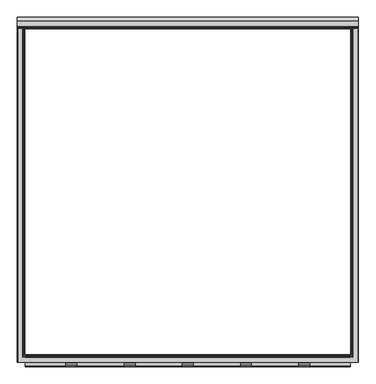
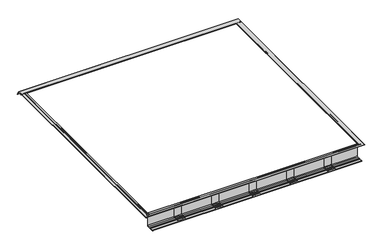
"""IFC4 building model written with IfcOpenShell, lengths in millimetres: fastener geometry."""

from ifc_helpers import new_model, si_unit, point, frame, frame_2d, origin, place, context, project, spatial, polyline, circle_curve, ellipse_curve, trimmed, segment, composite_curve, outline, extrude, source, transform, mapped, element, save
from ifc_brep_helpers import plane_surface, cylinder_surface, revolved_surface, advanced_brep


def fastener_ba630eba(model_context):
    return source(origin(), model_context, "Body", "SolidModel", [
        extrude(outline(composite_curve([segment(trimmed(circle_curve(frame_2d((-1145.5700599, -154.6836108)), 7.5509517), [point((-1138.0191082, -154.6836108))], [point((-1145.5700599, -162.2345625))], False, "CARTESIAN"), True, "CONTINUOUS"), segment(polyline([(-1145.5700599, -162.2345625), (-1177.5500422, -162.2345625)]), True, "CONTINUOUS"), segment(trimmed(circle_curve(frame_2d((-1177.2863618, -161.1784961)), 1.0884868), [point((-1177.5500422, -162.2345625))], [point((-1178.0560382, -160.4088197))], False, "CARTESIAN"), True, "CONTINUOUS"), segment(polyline([(-1178.0560382, -160.4088197), (-1176.7465916, -159.0993731)]), True, "CONTINUOUS"), segment(trimmed(circle_curve(frame_2d((-1177.516268, -158.3296966)), 1.0884868), [point((-1176.7465916, -159.0993731))], [point((-1176.911598, -157.4246122))], True, "CARTESIAN"), True, "CONTINUOUS"), segment(polyline([(-1176.911598, -157.4246122), (-1186.4250513, -157.4246122)]), True, "CONTINUOUS"), segment(trimmed(circle_curve(frame_2d((-1185.8203813, -158.3296966)), 1.0884868), [point((-1186.4250513, -157.4246122))], [point((-1186.5900578, -159.0993731))], True, "CARTESIAN"), True, "CONTINUOUS"), segment(polyline([(-1186.5900578, -159.0993731), (-1185.2806111, -160.4088197)]), True, "CONTINUOUS"), segment(trimmed(circle_curve(frame_2d((-1186.0502876, -161.1784961)), 1.0884868), [point((-1185.2806111, -160.4088197))], [point((-1185.7866071, -162.2345625))], False, "CARTESIAN"), True, "CONTINUOUS"), segment(polyline([(-1185.7866071, -162.2345625), (-1219.2, -162.2345625)]), True, "CONTINUOUS"), segment(trimmed(circle_curve(frame_2d((-1211.6858077, -161.5021667)), 7.5498006), [point((-1219.2, -162.2345625))], [point((-1211.6858077, -153.9523661))], False, "CARTESIAN"), True, "CONTINUOUS"), segment(polyline([(-1211.6858077, -153.9523661), (-1195.9627839, -153.9523661)]), True, "CONTINUOUS"), segment(trimmed(circle_curve(frame_2d((-1195.8562589, -149.9759938)), 3.977799), [point((-1195.9627839, -153.9523661))], [point((-1193.0435303, -152.7887224))], True, "CARTESIAN"), True, "CONTINUOUS"), segment(polyline([(-1193.0435303, -152.7887224), (-1190.9210407, -150.6662329)]), True, "CONTINUOUS"), segment(trimmed(circle_curve(frame_2d((-1188.1083121, -153.4789615)), 3.977799), [point((-1190.9210407, -150.6662329))], [point((-1188.0183247, -149.5021806))], False, "CARTESIAN"), True, "CONTINUOUS"), segment(polyline([(-1188.0183247, -149.5021806), (-1175.3183247, -149.5021806)]), True, "CONTINUOUS"), segment(trimmed(circle_curve(frame_2d((-1175.2283372, -153.4789615)), 3.977799), [point((-1175.3183247, -149.5021806))], [point((-1172.4156086, -150.6662329))], False, "CARTESIAN"), True, "CONTINUOUS"), segment(polyline([(-1172.4156086, -150.6662329), (-1170.2931191, -152.7887224)]), True, "CONTINUOUS"), segment(trimmed(circle_curve(frame_2d((-1167.4803904, -149.9759938)), 3.977799), [point((-1170.2931191, -152.7887224))], [point((-1167.3738655, -153.9523661))], True, "CARTESIAN"), True, "CONTINUOUS"), segment(polyline([(-1167.3738655, -153.9523661), (-1150.9842926, -153.9523661)]), True, "CONTINUOUS"), segment(trimmed(circle_curve(frame_2d((-1150.2040874, -148.1697836)), 5.8349791), [point((-1150.9842926, -153.9523661))], [point((-1144.3691082, -148.1697836))], True, "CARTESIAN"), True, "CONTINUOUS"), segment(polyline([(-1144.3691082, -148.1697836), (-1144.3691082, -38.7961108), (-1138.0191082, -38.7961108), (-1138.0191082, -154.6836108)]), True, "CONTINUOUS")], self_intersect=False)), frame((774.7, 0.0, 0.0), z_axis=(1.0, 0.0, 0.0), x_axis=(0.0, 1.0, 0.0)), (0.0, 0.0, 1.0), 76.2),
        extrude(outline(composite_curve([segment(trimmed(circle_curve(frame_2d((-1145.5700599, -154.6836108)), 7.5509517), [point((-1138.0191082, -154.6836108))], [point((-1145.5700599, -162.2345625))], False, "CARTESIAN"), True, "CONTINUOUS"), segment(polyline([(-1145.5700599, -162.2345625), (-1177.5500422, -162.2345625)]), True, "CONTINUOUS"), segment(trimmed(circle_curve(frame_2d((-1177.2863618, -161.1784961)), 1.0884868), [point((-1177.5500422, -162.2345625))], [point((-1178.0560382, -160.4088197))], False, "CARTESIAN"), True, "CONTINUOUS"), segment(polyline([(-1178.0560382, -160.4088197), (-1176.7465916, -159.0993731)]), True, "CONTINUOUS"), segment(trimmed(circle_curve(frame_2d((-1177.516268, -158.3296966)), 1.0884868), [point((-1176.7465916, -159.0993731))], [point((-1176.911598, -157.4246122))], True, "CARTESIAN"), True, "CONTINUOUS"), segment(polyline([(-1176.911598, -157.4246122), (-1186.4250513, -157.4246122)]), True, "CONTINUOUS"), segment(trimmed(circle_curve(frame_2d((-1185.8203813, -158.3296966)), 1.0884868), [point((-1186.4250513, -157.4246122))], [point((-1186.5900578, -159.0993731))], True, "CARTESIAN"), True, "CONTINUOUS"), segment(polyline([(-1186.5900578, -159.0993731), (-1185.2806111, -160.4088197)]), True, "CONTINUOUS"), segment(trimmed(circle_curve(frame_2d((-1186.0502876, -161.1784961)), 1.0884868), [point((-1185.2806111, -160.4088197))], [point((-1185.7866071, -162.2345625))], False, "CARTESIAN"), True, "CONTINUOUS"), segment(polyline([(-1185.7866071, -162.2345625), (-1219.2, -162.2345625)]), True, "CONTINUOUS"), segment(trimmed(circle_curve(frame_2d((-1211.6858077, -161.5021667)), 7.5498006), [point((-1219.2, -162.2345625))], [point((-1211.6858077, -153.9523661))], False, "CARTESIAN"), True, "CONTINUOUS"), segment(polyline([(-1211.6858077, -153.9523661), (-1195.9627839, -153.9523661)]), True, "CONTINUOUS"), segment(trimmed(circle_curve(frame_2d((-1195.8562589, -149.9759938)), 3.977799), [point((-1195.9627839, -153.9523661))], [point((-1193.0435303, -152.7887224))], True, "CARTESIAN"), True, "CONTINUOUS"), segment(polyline([(-1193.0435303, -152.7887224), (-1190.9210407, -150.6662329)]), True, "CONTINUOUS"), segment(trimmed(circle_curve(frame_2d((-1188.1083121, -153.4789615)), 3.977799), [point((-1190.9210407, -150.6662329))], [point((-1188.0183247, -149.5021806))], False, "CARTESIAN"), True, "CONTINUOUS"), segment(polyline([(-1188.0183247, -149.5021806), (-1175.3183247, -149.5021806)]), True, "CONTINUOUS"), segment(trimmed(circle_curve(frame_2d((-1175.2283372, -153.4789615)), 3.977799), [point((-1175.3183247, -149.5021806))], [point((-1172.4156086, -150.6662329))], False, "CARTESIAN"), True, "CONTINUOUS"), segment(polyline([(-1172.4156086, -150.6662329), (-1170.2931191, -152.7887224)]), True, "CONTINUOUS"), segment(trimmed(circle_curve(frame_2d((-1167.4803904, -149.9759938)), 3.977799), [point((-1170.2931191, -152.7887224))], [point((-1167.3738655, -153.9523661))], True, "CARTESIAN"), True, "CONTINUOUS"), segment(polyline([(-1167.3738655, -153.9523661), (-1150.9842926, -153.9523661)]), True, "CONTINUOUS"), segment(trimmed(circle_curve(frame_2d((-1150.2040874, -148.1697836)), 5.8349791), [point((-1150.9842926, -153.9523661))], [point((-1144.3691082, -148.1697836))], True, "CARTESIAN"), True, "CONTINUOUS"), segment(polyline([(-1144.3691082, -148.1697836), (-1144.3691082, -38.7961108), (-1138.0191082, -38.7961108), (-1138.0191082, -154.6836108)]), True, "CONTINUOUS")], self_intersect=False)), frame((-850.9, 0.0, 0.0), z_axis=(1.0, 0.0, 0.0), x_axis=(0.0, 1.0, 0.0)), (0.0, 0.0, 1.0), 76.2),
        extrude(outline(composite_curve([segment(trimmed(circle_curve(frame_2d((-1145.5700599, -154.6836108)), 7.5509517), [point((-1138.0191082, -154.6836108))], [point((-1145.5700599, -162.2345625))], False, "CARTESIAN"), True, "CONTINUOUS"), segment(polyline([(-1145.5700599, -162.2345625), (-1177.5500422, -162.2345625)]), True, "CONTINUOUS"), segment(trimmed(circle_curve(frame_2d((-1177.2863618, -161.1784961)), 1.0884868), [point((-1177.5500422, -162.2345625))], [point((-1178.0560382, -160.4088197))], False, "CARTESIAN"), True, "CONTINUOUS"), segment(polyline([(-1178.0560382, -160.4088197), (-1176.7465916, -159.0993731)]), True, "CONTINUOUS"), segment(trimmed(circle_curve(frame_2d((-1177.516268, -158.3296966)), 1.0884868), [point((-1176.7465916, -159.0993731))], [point((-1176.911598, -157.4246122))], True, "CARTESIAN"), True, "CONTINUOUS"), segment(polyline([(-1176.911598, -157.4246122), (-1186.4250513, -157.4246122)]), True, "CONTINUOUS"), segment(trimmed(circle_curve(frame_2d((-1185.8203813, -158.3296966)), 1.0884868), [point((-1186.4250513, -157.4246122))], [point((-1186.5900578, -159.0993731))], True, "CARTESIAN"), True, "CONTINUOUS"), segment(polyline([(-1186.5900578, -159.0993731), (-1185.2806111, -160.4088197)]), True, "CONTINUOUS"), segment(trimmed(circle_curve(frame_2d((-1186.0502876, -161.1784961)), 1.0884868), [point((-1185.2806111, -160.4088197))], [point((-1185.7866071, -162.2345625))], False, "CARTESIAN"), True, "CONTINUOUS"), segment(polyline([(-1185.7866071, -162.2345625), (-1219.2, -162.2345625)]), True, "CONTINUOUS"), segment(trimmed(circle_curve(frame_2d((-1211.6858077, -161.5021667)), 7.5498006), [point((-1219.2, -162.2345625))], [point((-1211.6858077, -153.9523661))], False, "CARTESIAN"), True, "CONTINUOUS"), segment(polyline([(-1211.6858077, -153.9523661), (-1195.9627839, -153.9523661)]), True, "CONTINUOUS"), segment(trimmed(circle_curve(frame_2d((-1195.8562589, -149.9759938)), 3.977799), [point((-1195.9627839, -153.9523661))], [point((-1193.0435303, -152.7887224))], True, "CARTESIAN"), True, "CONTINUOUS"), segment(polyline([(-1193.0435303, -152.7887224), (-1190.9210407, -150.6662329)]), True, "CONTINUOUS"), segment(trimmed(circle_curve(frame_2d((-1188.1083121, -153.4789615)), 3.977799), [point((-1190.9210407, -150.6662329))], [point((-1188.0183247, -149.5021806))], False, "CARTESIAN"), True, "CONTINUOUS"), segment(polyline([(-1188.0183247, -149.5021806), (-1175.3183247, -149.5021806)]), True, "CONTINUOUS"), segment(trimmed(circle_curve(frame_2d((-1175.2283372, -153.4789615)), 3.977799), [point((-1175.3183247, -149.5021806))], [point((-1172.4156086, -150.6662329))], False, "CARTESIAN"), True, "CONTINUOUS"), segment(polyline([(-1172.4156086, -150.6662329), (-1170.2931191, -152.7887224)]), True, "CONTINUOUS"), segment(trimmed(circle_curve(frame_2d((-1167.4803904, -149.9759938)), 3.977799), [point((-1170.2931191, -152.7887224))], [point((-1167.3738655, -153.9523661))], True, "CARTESIAN"), True, "CONTINUOUS"), segment(polyline([(-1167.3738655, -153.9523661), (-1150.9842926, -153.9523661)]), True, "CONTINUOUS"), segment(trimmed(circle_curve(frame_2d((-1150.2040874, -148.1697836)), 5.8349791), [point((-1150.9842926, -153.9523661))], [point((-1144.3691082, -148.1697836))], True, "CARTESIAN"), True, "CONTINUOUS"), segment(polyline([(-1144.3691082, -148.1697836), (-1144.3691082, -38.7961108), (-1138.0191082, -38.7961108), (-1138.0191082, -154.6836108)]), True, "CONTINUOUS")], self_intersect=False)), frame((-444.5, 0.0, 0.0), z_axis=(1.0, 0.0, 0.0), x_axis=(0.0, 1.0, 0.0)), (0.0, 0.0, 1.0), 76.2),
        extrude(outline(composite_curve([segment(trimmed(circle_curve(frame_2d((-1145.5700599, -154.6836108)), 7.5509517), [point((-1138.0191082, -154.6836108))], [point((-1145.5700599, -162.2345625))], False, "CARTESIAN"), True, "CONTINUOUS"), segment(polyline([(-1145.5700599, -162.2345625), (-1177.5500422, -162.2345625)]), True, "CONTINUOUS"), segment(trimmed(circle_curve(frame_2d((-1177.2863618, -161.1784961)), 1.0884868), [point((-1177.5500422, -162.2345625))], [point((-1178.0560382, -160.4088197))], False, "CARTESIAN"), True, "CONTINUOUS"), segment(polyline([(-1178.0560382, -160.4088197), (-1176.7465916, -159.0993731)]), True, "CONTINUOUS"), segment(trimmed(circle_curve(frame_2d((-1177.516268, -158.3296966)), 1.0884868), [point((-1176.7465916, -159.0993731))], [point((-1176.911598, -157.4246122))], True, "CARTESIAN"), True, "CONTINUOUS"), segment(polyline([(-1176.911598, -157.4246122), (-1186.4250513, -157.4246122)]), True, "CONTINUOUS"), segment(trimmed(circle_curve(frame_2d((-1185.8203813, -158.3296966)), 1.0884868), [point((-1186.4250513, -157.4246122))], [point((-1186.5900578, -159.0993731))], True, "CARTESIAN"), True, "CONTINUOUS"), segment(polyline([(-1186.5900578, -159.0993731), (-1185.2806111, -160.4088197)]), True, "CONTINUOUS"), segment(trimmed(circle_curve(frame_2d((-1186.0502876, -161.1784961)), 1.0884868), [point((-1185.2806111, -160.4088197))], [point((-1185.7866071, -162.2345625))], False, "CARTESIAN"), True, "CONTINUOUS"), segment(polyline([(-1185.7866071, -162.2345625), (-1219.2, -162.2345625)]), True, "CONTINUOUS"), segment(trimmed(circle_curve(frame_2d((-1211.6858077, -161.5021667)), 7.5498006), [point((-1219.2, -162.2345625))], [point((-1211.6858077, -153.9523661))], False, "CARTESIAN"), True, "CONTINUOUS"), segment(polyline([(-1211.6858077, -153.9523661), (-1195.9627839, -153.9523661)]), True, "CONTINUOUS"), segment(trimmed(circle_curve(frame_2d((-1195.8562589, -149.9759938)), 3.977799), [point((-1195.9627839, -153.9523661))], [point((-1193.0435303, -152.7887224))], True, "CARTESIAN"), True, "CONTINUOUS"), segment(polyline([(-1193.0435303, -152.7887224), (-1190.9210407, -150.6662329)]), True, "CONTINUOUS"), segment(trimmed(circle_curve(frame_2d((-1188.1083121, -153.4789615)), 3.977799), [point((-1190.9210407, -150.6662329))], [point((-1188.0183247, -149.5021806))], False, "CARTESIAN"), True, "CONTINUOUS"), segment(polyline([(-1188.0183247, -149.5021806), (-1175.3183247, -149.5021806)]), True, "CONTINUOUS"), segment(trimmed(circle_curve(frame_2d((-1175.2283372, -153.4789615)), 3.977799), [point((-1175.3183247, -149.5021806))], [point((-1172.4156086, -150.6662329))], False, "CARTESIAN"), True, "CONTINUOUS"), segment(polyline([(-1172.4156086, -150.6662329), (-1170.2931191, -152.7887224)]), True, "CONTINUOUS"), segment(trimmed(circle_curve(frame_2d((-1167.4803904, -149.9759938)), 3.977799), [point((-1170.2931191, -152.7887224))], [point((-1167.3738655, -153.9523661))], True, "CARTESIAN"), True, "CONTINUOUS"), segment(polyline([(-1167.3738655, -153.9523661), (-1150.9842926, -153.9523661)]), True, "CONTINUOUS"), segment(trimmed(circle_curve(frame_2d((-1150.2040874, -148.1697836)), 5.8349791), [point((-1150.9842926, -153.9523661))], [point((-1144.3691082, -148.1697836))], True, "CARTESIAN"), True, "CONTINUOUS"), segment(polyline([(-1144.3691082, -148.1697836), (-1144.3691082, -38.7961108), (-1138.0191082, -38.7961108), (-1138.0191082, -154.6836108)]), True, "CONTINUOUS")], self_intersect=False)), frame((368.3, 0.0, 0.0), z_axis=(1.0, 0.0, 0.0), x_axis=(0.0, 1.0, 0.0)), (0.0, 0.0, 1.0), 76.2),
        extrude(outline(composite_curve([segment(trimmed(circle_curve(frame_2d((-1145.5700599, -154.6836108)), 7.5509517), [point((-1138.0191082, -154.6836108))], [point((-1145.5700599, -162.2345625))], False, "CARTESIAN"), True, "CONTINUOUS"), segment(polyline([(-1145.5700599, -162.2345625), (-1177.5500422, -162.2345625)]), True, "CONTINUOUS"), segment(trimmed(circle_curve(frame_2d((-1177.2863618, -161.1784961)), 1.0884868), [point((-1177.5500422, -162.2345625))], [point((-1178.0560382, -160.4088197))], False, "CARTESIAN"), True, "CONTINUOUS"), segment(polyline([(-1178.0560382, -160.4088197), (-1176.7465916, -159.0993731)]), True, "CONTINUOUS"), segment(trimmed(circle_curve(frame_2d((-1177.516268, -158.3296966)), 1.0884868), [point((-1176.7465916, -159.0993731))], [point((-1176.911598, -157.4246122))], True, "CARTESIAN"), True, "CONTINUOUS"), segment(polyline([(-1176.911598, -157.4246122), (-1186.4250513, -157.4246122)]), True, "CONTINUOUS"), segment(trimmed(circle_curve(frame_2d((-1185.8203813, -158.3296966)), 1.0884868), [point((-1186.4250513, -157.4246122))], [point((-1186.5900578, -159.0993731))], True, "CARTESIAN"), True, "CONTINUOUS"), segment(polyline([(-1186.5900578, -159.0993731), (-1185.2806111, -160.4088197)]), True, "CONTINUOUS"), segment(trimmed(circle_curve(frame_2d((-1186.0502876, -161.1784961)), 1.0884868), [point((-1185.2806111, -160.4088197))], [point((-1185.7866071, -162.2345625))], False, "CARTESIAN"), True, "CONTINUOUS"), segment(polyline([(-1185.7866071, -162.2345625), (-1219.2, -162.2345625)]), True, "CONTINUOUS"), segment(trimmed(circle_curve(frame_2d((-1211.6858077, -161.5021667)), 7.5498006), [point((-1219.2, -162.2345625))], [point((-1211.6858077, -153.9523661))], False, "CARTESIAN"), True, "CONTINUOUS"), segment(polyline([(-1211.6858077, -153.9523661), (-1195.9627839, -153.9523661)]), True, "CONTINUOUS"), segment(trimmed(circle_curve(frame_2d((-1195.8562589, -149.9759938)), 3.977799), [point((-1195.9627839, -153.9523661))], [point((-1193.0435303, -152.7887224))], True, "CARTESIAN"), True, "CONTINUOUS"), segment(polyline([(-1193.0435303, -152.7887224), (-1190.9210407, -150.6662329)]), True, "CONTINUOUS"), segment(trimmed(circle_curve(frame_2d((-1188.1083121, -153.4789615)), 3.977799), [point((-1190.9210407, -150.6662329))], [point((-1188.0183247, -149.5021806))], False, "CARTESIAN"), True, "CONTINUOUS"), segment(polyline([(-1188.0183247, -149.5021806), (-1175.3183247, -149.5021806)]), True, "CONTINUOUS"), segment(trimmed(circle_curve(frame_2d((-1175.2283372, -153.4789615)), 3.977799), [point((-1175.3183247, -149.5021806))], [point((-1172.4156086, -150.6662329))], False, "CARTESIAN"), True, "CONTINUOUS"), segment(polyline([(-1172.4156086, -150.6662329), (-1170.2931191, -152.7887224)]), True, "CONTINUOUS"), segment(trimmed(circle_curve(frame_2d((-1167.4803904, -149.9759938)), 3.977799), [point((-1170.2931191, -152.7887224))], [point((-1167.3738655, -153.9523661))], True, "CARTESIAN"), True, "CONTINUOUS"), segment(polyline([(-1167.3738655, -153.9523661), (-1150.9842926, -153.9523661)]), True, "CONTINUOUS"), segment(trimmed(circle_curve(frame_2d((-1150.2040874, -148.1697836)), 5.8349791), [point((-1150.9842926, -153.9523661))], [point((-1144.3691082, -148.1697836))], True, "CARTESIAN"), True, "CONTINUOUS"), segment(polyline([(-1144.3691082, -148.1697836), (-1144.3691082, -38.7961108), (-1138.0191082, -38.7961108), (-1138.0191082, -154.6836108)]), True, "CONTINUOUS")], self_intersect=False)), frame((-38.1, 0.0, 0.0), z_axis=(1.0, 0.0, 0.0), x_axis=(0.0, 1.0, 0.0)), (0.0, 0.0, 1.0), 76.2),
        extrude(outline(composite_curve([segment(polyline([(-1135.3165, -15.1804688), (-1135.3165, -164.9015625), (-1217.8665, -164.9015625)]), True, "CONTINUOUS"), segment(trimmed(circle_curve(frame_2d((-1217.8665, -163.5680625)), 1.3335), [point((-1217.8665, -164.9015625))], [point((-1217.8665, -162.2345625))], False, "CARTESIAN"), True, "CONTINUOUS"), segment(polyline([(-1217.8665, -162.2345625), (-1185.7509989, -162.2345625)]), True, "CONTINUOUS"), segment(trimmed(circle_curve(frame_2d((-1186.0146793, -161.1784961)), 1.0884868), [point((-1185.7509989, -162.2345625))], [point((-1185.2450029, -160.4088197))], True, "CARTESIAN"), True, "CONTINUOUS"), segment(polyline([(-1185.2450029, -160.4088197), (-1186.5544495, -159.0993731)]), True, "CONTINUOUS"), segment(trimmed(circle_curve(frame_2d((-1185.7847731, -158.3296966)), 1.0884868), [point((-1186.5544495, -159.0993731))], [point((-1186.389443, -157.4246122))], False, "CARTESIAN"), True, "CONTINUOUS"), segment(polyline([(-1186.389443, -157.4246122), (-1176.8759898, -157.4246122)]), True, "CONTINUOUS"), segment(trimmed(circle_curve(frame_2d((-1177.4806597, -158.3296966)), 1.0884868), [point((-1176.8759898, -157.4246122))], [point((-1176.7109833, -159.0993731))], False, "CARTESIAN"), True, "CONTINUOUS"), segment(polyline([(-1176.7109833, -159.0993731), (-1178.0204299, -160.4088197)]), True, "CONTINUOUS"), segment(trimmed(circle_curve(frame_2d((-1177.2507535, -161.1784961)), 1.0884868), [point((-1178.0204299, -160.4088197))], [point((-1177.5144339, -162.2345625))], True, "CARTESIAN"), True, "CONTINUOUS"), segment(polyline([(-1177.5144339, -162.2345625), (-1145.5344517, -162.2345625)]), True, "CONTINUOUS"), segment(trimmed(circle_curve(frame_2d((-1145.5344517, -154.6836108)), 7.5509517), [point((-1145.5344517, -162.2345625))], [point((-1137.9835, -154.6836108))], True, "CARTESIAN"), True, "CONTINUOUS"), segment(polyline([(-1137.9835, -154.6836108), (-1137.9835, -21.87801), (-1156.2117258, -21.87801), (-1156.2117258, -15.1804688), (-1152.1178999, -15.1804688)]), True, "CONTINUOUS"), segment(trimmed(circle_curve(frame_2d((-1152.8274757, -16.2725079)), 1.3023238), [point((-1152.1178999, -15.1804688))], [point((-1151.9131963, -17.1999455))], False, "CARTESIAN"), True, "CONTINUOUS"), segment(polyline([(-1151.9131963, -17.1999455), (-1152.9649499, -18.2679836)]), True, "CONTINUOUS"), segment(trimmed(circle_curve(frame_2d((-1152.5091166, -18.6293281)), 0.5816819), [point((-1152.9649499, -18.2679836))], [point((-1152.5091166, -19.21101))], True, "CARTESIAN"), True, "CONTINUOUS"), segment(polyline([(-1152.5091166, -19.21101), (-1140.8594568, -19.21101)]), True, "CONTINUOUS"), segment(trimmed(circle_curve(frame_2d((-1140.8594568, -18.6130003)), 0.5980097), [point((-1140.8594568, -19.21101))], [point((-1140.3710112, -18.2679836))], True, "CARTESIAN"), True, "CONTINUOUS"), segment(polyline([(-1140.3710112, -18.2679836), (-1141.460117, -17.1999455)]), True, "CONTINUOUS"), segment(trimmed(circle_curve(frame_2d((-1140.5022273, -16.284676)), 1.3248664), [point((-1141.460117, -17.1999455))], [point((-1141.2343456, -15.1804688))], False, "CARTESIAN"), True, "CONTINUOUS"), segment(polyline([(-1141.2343456, -15.1804688), (-1135.3165, -15.1804688)]), True, "CONTINUOUS")], self_intersect=False)), frame((-1135.3165, 0.0, 0.0), z_axis=(1.0, 0.0, 0.0), x_axis=(0.0, 1.0, 0.0)), (0.0, 0.0, 1.0), 2270.633),
        advanced_brep(
        [(-1189.1053092, 1141.2343456, -15.1685625), (-1189.1053092, 1135.3165, -15.1685625), (-1189.1053092, 1135.3165, -13.8350625), (-1189.1053092, 1135.3165, -12.5015625), (-1189.1053092, 1190.6451024, -12.5015625), (-1189.1053092, 1217.7515464, -59.4513008), (-1189.1053092, 1215.4418567, -60.7848008), (-1189.1053092, 1189.1053092, -15.1685625), (-1189.1053092, 1161.8308783, -15.1685625), (-1189.1053092, 1159.573508, -17.4259327), (-1189.1053092, 1159.573508, -26.7633474), (-1189.1053092, 1149.6719492, -26.7633474), (-1189.1053092, 1149.6719492, -24.7662067), (-1189.1053092, 1150.5032605, -24.7662067), (-1189.1053092, 1151.5117177, -23.7577495), (-1189.1053092, 1151.5117177, -21.8661038), (-1189.1053092, 1156.2117258, -21.8661038), (-1189.1053092, 1156.2117258, -15.1685625), (-1189.1053092, 1152.1178999, -15.1685625), (-1189.1053092, 1151.9131963, -17.2095918), (-1189.1053092, 1152.9812344, -18.2776299), (-1189.1053092, 1152.5091166, -19.1991038), (-1189.1053092, 1140.8431289, -19.1991038), (-1189.1053092, 1140.3710112, -18.2776299), (-1189.1053092, 1141.4390493, -17.2095918), (1189.1053092, 1141.2343456, -15.1685625), (1189.1053092, 1141.4390493, -17.2095918), (1189.1053092, 1140.3710112, -18.2776299), (1189.1053092, 1140.8431289, -19.1991038), (1189.1053092, 1152.5091166, -19.1991038), (1189.1053092, 1152.9812344, -18.2776299), (1189.1053092, 1151.9131963, -17.2095918), (1189.1053092, 1152.1178999, -15.1685625), (1189.1053092, 1156.2117258, -15.1685625), (1189.1053092, 1156.2117258, -21.8661038), (1189.1053092, 1151.5117177, -21.8661038), (1189.1053092, 1151.5117177, -23.7577495), (1189.1053092, 1150.5032605, -24.7662067), (1189.1053092, 1149.6719492, -24.7662067), (1189.1053092, 1149.6719492, -26.7633474), (1189.1053092, 1159.573508, -26.7633474), (1189.1053092, 1159.573508, -17.4259327), (1189.1053092, 1161.8308783, -15.1685625), (1189.1053092, 1189.1053092, -15.1685625), (1189.1053092, 1215.4418567, -60.7848008), (1189.1053092, 1217.7515464, -59.4513008), (1189.1053092, 1190.6451024, -12.5015625), (1189.1053092, 1135.3165, -12.5015625), (1189.1053092, 1135.3165, -13.8350625), (1189.1053092, 1135.3165, -15.1685625), (1187.7718092, 1135.3165, -15.1685625), (1187.7718092, -1187.7718092, -15.1685625), (-1187.7718092, -1187.7718092, -15.1685625), (-1187.7718092, 1135.3165, -15.1685625), (1135.3165, 1135.3165, -15.1685625), (-1135.3165, 1135.3165, -15.1685625), (-1135.3165, -1135.3165, -15.1685625), (1135.3165, -1135.3165, -15.1685625), (-1141.2160631, 1135.3165, -15.1685625), (-1152.1361825, 1135.3165, -15.1685625), (-1152.1361825, -1152.1361825, -15.1685625), (1152.1361825, -1152.1361825, -15.1685625), (1152.1361825, 1135.3165, -15.1685625), (1141.2160631, 1135.3165, -15.1685625), (1141.2160631, -1141.2160631, -15.1685625), (-1141.2160631, -1141.2160631, -15.1685625), (-1156.2117258, 1135.3165, -15.1685625), (-1161.8308783, 1135.3165, -15.1685625), (-1161.8308783, -1161.8308783, -15.1685625), (1161.8308783, -1161.8308783, -15.1685625), (1161.8308783, 1135.3165, -15.1685625), (1156.2117258, 1135.3165, -15.1685625), (1156.2117258, -1156.2117258, -15.1685625), (-1156.2117258, -1156.2117258, -15.1685625), (-1187.7718092, 1135.3165, -12.5015625), (1187.7718092, 1135.3165, -12.5015625), (1135.3165, 1135.3165, -12.5015625), (-1135.3165, 1135.3165, -12.5015625), (-1187.7718092, -1187.7718092, -12.5015625), (1187.7718092, -1187.7718092, -12.5015625), (1135.3165, -1135.3165, -12.5015625), (-1135.3165, -1135.3165, -12.5015625), (-1141.4390493, 1135.3165, -17.221498), (-1140.3710112, 1135.3165, -18.2895361), (-1140.8431289, 1135.3165, -19.21101), (-1152.5091166, 1135.3165, -19.21101), (-1152.9812344, 1135.3165, -18.2895361), (-1151.9131963, 1135.3165, -17.221498), (-1156.2117258, 1135.3165, -21.87801), (-1151.5117177, 1135.3165, -21.87801), (-1151.5117177, 1135.3165, -23.7696558), (-1150.5032605, 1135.3165, -24.7781129), (-1149.6719492, 1135.3165, -24.7781129), (-1149.6719492, 1135.3165, -26.7633474), (-1159.573508, 1135.3165, -26.7633474), (-1159.573508, 1135.3165, -17.4259327), (-1141.4390493, -1141.4390493, -17.221498), (-1140.3710112, -1140.3710112, -18.2895361), (-1140.8431289, -1140.8431289, -19.21101), (1140.8431289, -1140.8431289, -19.21101), (1140.8431289, 1135.3165, -19.21101), (1152.5091166, 1135.3165, -19.21101), (1152.5091166, -1152.5091166, -19.21101), (-1152.5091166, -1152.5091166, -19.21101), (-1152.9812344, -1152.9812344, -18.2895361), (-1151.9131963, -1151.9131963, -17.221498), (-1156.2117258, -1156.2117258, -21.87801), (1156.2117258, -1156.2117258, -21.87801), (1156.2117258, 1135.3165, -21.87801), (1151.5117177, 1135.3165, -21.87801), (1151.5117177, -1151.5117177, -21.87801), (-1151.5117177, -1151.5117177, -21.87801), (-1151.5117177, -1151.5117177, -23.7696558), (-1150.5032605, -1150.5032605, -24.7781129), (1150.5032605, -1150.5032605, -24.7781129), (1150.5032605, 1135.3165, -24.7781129), (1149.6719492, 1135.3165, -24.7781129), (1149.6719492, -1149.6719492, -24.7781129), (-1149.6719492, -1149.6719492, -24.7781129), (-1149.6719492, -1149.6719492, -26.7633474), (1149.6719492, -1149.6719492, -26.7633474), (1149.6719492, 1135.3165, -26.7633474), (1159.573508, 1135.3165, -26.7633474), (1159.573508, -1159.573508, -26.7633474), (-1159.573508, -1159.573508, -26.7633474), (-1159.573508, -1159.573508, -17.4259327), (1141.4390493, -1141.4390493, -17.221498), (1140.3710112, -1140.3710112, -18.2895361), (1152.9812344, -1152.9812344, -18.2895361), (1151.9131963, -1151.9131963, -17.221498), (1151.5117177, -1151.5117177, -23.7696558), (1159.573508, -1159.573508, -17.4259327), (1140.3710112, 1135.3165, -18.2895361), (1141.4390493, 1135.3165, -17.221498), (1151.9131963, 1135.3165, -17.221498), (1152.9812344, 1135.3165, -18.2895361), (1159.573508, 1135.3165, -17.4259327), (1151.5117177, 1135.3165, -23.7696558)],
        [
            (0, 1),
            (1, 2),
            (2, 3),
            (3, 4),
            (4, 5),
            (5, 6),
            (6, 7),
            (7, 8),
            (8, 9, circle_curve(frame((-1189.1053092, 1161.8308783, -17.4259327), z_axis=(1.0, 0.0, 0.0), x_axis=(0.0, 1.0, 0.0)), 2.2573702)),
            (9, 10),
            (10, 11),
            (11, 12, circle_curve(frame((-1189.1053092, 1149.6719492, -25.764777), z_axis=(-1.0, 0.0, 0.0), x_axis=(0.0, 1.0, 0.0)), 0.9985703)),
            (12, 13),
            (13, 14, circle_curve(frame((-1189.1053092, 1150.5032605, -23.7577495), z_axis=(1.0, 0.0, 0.0), x_axis=(0.0, 1.0, 0.0)), 1.0084572)),
            (14, 15),
            (15, 16),
            (16, 17),
            (17, 18),
            (18, 19, circle_curve(frame((-1189.1053092, 1152.8500183, -16.2727698), z_axis=(1.0, 0.0, 0.0), x_axis=(0.0, 1.0, 0.0)), 1.3248664)),
            (19, 20),
            (20, 21, circle_curve(frame((-1189.1053092, 1152.5091166, -18.6174219), z_axis=(-1.0, 0.0, 0.0), x_axis=(0.0, 1.0, 0.0)), 0.5816819)),
            (21, 22),
            (22, 23, circle_curve(frame((-1189.1053092, 1140.8431289, -18.6174219), z_axis=(-1.0, 0.0, 0.0), x_axis=(0.0, 1.0, 0.0)), 0.5816819)),
            (23, 24),
            (24, 0, circle_curve(frame((-1189.1053092, 1140.5022273, -16.2727698), z_axis=(1.0, 0.0, 0.0), x_axis=(0.0, 1.0, 0.0)), 1.3248664)),
            (25, 26, circle_curve(frame((1189.1053092, 1140.5022273, -16.2727698), z_axis=(-1.0, 0.0, 0.0), x_axis=(0.0, 1.0, 0.0)), 1.3248664)),
            (26, 27),
            (27, 28, circle_curve(frame((1189.1053092, 1140.8431289, -18.6174219), z_axis=(1.0, 0.0, 0.0), x_axis=(0.0, 1.0, 0.0)), 0.5816819)),
            (28, 29),
            (29, 30, circle_curve(frame((1189.1053092, 1152.5091166, -18.6174219), z_axis=(1.0, 0.0, 0.0), x_axis=(0.0, 1.0, 0.0)), 0.5816819)),
            (30, 31),
            (31, 32, circle_curve(frame((1189.1053092, 1152.8500183, -16.2727698), z_axis=(-1.0, 0.0, 0.0), x_axis=(0.0, 1.0, 0.0)), 1.3248664)),
            (32, 33),
            (33, 34),
            (34, 35),
            (35, 36),
            (36, 37, circle_curve(frame((1189.1053092, 1150.5032605, -23.7577495), z_axis=(-1.0, 0.0, 0.0), x_axis=(0.0, 1.0, 0.0)), 1.0084572)),
            (37, 38),
            (38, 39, circle_curve(frame((1189.1053092, 1149.6719492, -25.764777), z_axis=(1.0, 0.0, 0.0), x_axis=(0.0, 1.0, 0.0)), 0.9985703)),
            (39, 40),
            (40, 41),
            (41, 42, circle_curve(frame((1189.1053092, 1161.8308783, -17.4259327), z_axis=(-1.0, 0.0, 0.0), x_axis=(0.0, 1.0, 0.0)), 2.2573702)),
            (42, 43),
            (43, 44),
            (44, 45),
            (45, 46),
            (46, 47),
            (47, 48),
            (48, 49),
            (49, 25),
            (0, 25),
            (49, 50),
            (50, 51),
            (51, 52),
            (52, 53),
            (53, 1),
            (54, 55),
            (55, 56),
            (56, 57),
            (57, 54),
            (58, 59),
            (59, 60),
            (60, 61),
            (61, 62),
            (62, 63),
            (63, 64),
            (64, 65),
            (65, 58),
            (66, 67),
            (67, 68),
            (68, 69),
            (69, 70),
            (70, 71),
            (71, 72),
            (72, 73),
            (73, 66),
            (53, 2, circle_curve(frame((-1187.7718092, 1135.3165, -13.8350625), z_axis=(0.0, 1.0, 0.0), x_axis=(1.0, 0.0, 0.0)), 1.3335)),
            (2, 74, circle_curve(frame((-1187.7718092, 1135.3165, -13.8350625), z_axis=(0.0, 1.0, 0.0), x_axis=(1.0, 0.0, 0.0)), 1.3335)),
            (74, 3),
            (47, 75),
            (75, 48, circle_curve(frame((1187.7718092, 1135.3165, -13.8350625), z_axis=(0.0, 1.0, 0.0), x_axis=(-1.0, 0.0, 0.0)), 1.3335)),
            (48, 50, circle_curve(frame((1187.7718092, 1135.3165, -13.8350625), z_axis=(0.0, 1.0, 0.0), x_axis=(-1.0, 0.0, 0.0)), 1.3335)),
            (54, 76),
            (76, 77),
            (77, 55),
            (74, 78),
            (78, 79),
            (79, 75),
            (46, 4),
            (76, 80),
            (80, 81),
            (81, 77),
            (45, 5),
            (44, 6),
            (43, 7),
            (42, 8),
            (41, 9),
            (40, 10),
            (39, 11),
            (38, 12),
            (37, 13),
            (36, 14),
            (35, 15),
            (34, 16),
            (33, 17),
            (32, 18),
            (19, 31),
            (30, 20),
            (29, 21),
            (28, 22),
            (27, 23),
            (26, 24),
            (58, 82, circle_curve(frame((-1140.5022273, 1135.3165, -16.284676), z_axis=(0.0, -1.0, 0.0), x_axis=(1.0, 0.0, 0.0)), 1.3248664)),
            (82, 83),
            (83, 84, circle_curve(frame((-1140.8431289, 1135.3165, -18.6293281), z_axis=(0.0, 1.0, 0.0), x_axis=(1.0, 0.0, 0.0)), 0.5816819)),
            (84, 85),
            (85, 86, circle_curve(frame((-1152.5091166, 1135.3165, -18.6293281), z_axis=(0.0, 1.0, 0.0), x_axis=(1.0, 0.0, 0.0)), 0.5816819)),
            (86, 87),
            (87, 59, circle_curve(frame((-1152.8500183, 1135.3165, -16.284676), z_axis=(0.0, -1.0, 0.0), x_axis=(1.0, 0.0, 0.0)), 1.3248664)),
            (66, 88),
            (88, 89),
            (89, 90),
            (90, 91, circle_curve(frame((-1150.5032605, 1135.3165, -23.7696558), z_axis=(0.0, -1.0, 0.0), x_axis=(1.0, 0.0, 0.0)), 1.0084572)),
            (91, 92),
            (92, 93, circle_curve(frame((-1149.6719492, 1135.3165, -25.7707301), z_axis=(0.0, 1.0, 0.0), x_axis=(1.0, 0.0, 0.0)), 0.9926172)),
            (93, 94),
            (94, 95),
            (95, 67, circle_curve(frame((-1161.8308783, 1135.3165, -17.4259327), z_axis=(0.0, -1.0, 0.0), x_axis=(1.0, 0.0, 0.0)), 2.2573702)),
            (65, 96, ellipse_curve(frame((-1140.5022273, -1140.5022273, -16.284676), z_axis=(0.7071067811865475, -0.7071067811865475, 0.0), x_axis=(-0.7071067811865474, -0.7071067811865476, 0.0)), 1.873644, 1.3248664)),
            (96, 82),
            (96, 97),
            (97, 83),
            (97, 98, ellipse_curve(frame((-1140.8431289, -1140.8431289, -18.6293281), z_axis=(-0.7071067811865475, 0.7071067811865475, 0.0), x_axis=(0.7071067811865474, 0.7071067811865476, 0.0)), 0.8226224, 0.5816819)),
            (98, 84),
            (98, 99),
            (99, 100),
            (100, 101),
            (101, 102),
            (102, 103),
            (103, 85),
            (103, 104, ellipse_curve(frame((-1152.5091166, -1152.5091166, -18.6293281), z_axis=(-0.7071067811865475, 0.7071067811865475, 0.0), x_axis=(0.7071067811865474, 0.7071067811865476, 0.0)), 0.8226224, 0.5816819)),
            (104, 86),
            (104, 105),
            (105, 87),
            (105, 60, ellipse_curve(frame((-1152.8500183, -1152.8500183, -16.284676), z_axis=(0.7071067811865475, -0.7071067811865475, 0.0), x_axis=(-0.7071067811865474, -0.7071067811865476, 0.0)), 1.873644, 1.3248664)),
            (73, 106),
            (106, 88),
            (106, 107),
            (107, 108),
            (108, 109),
            (109, 110),
            (110, 111),
            (111, 89),
            (111, 112),
            (112, 90),
            (112, 113, ellipse_curve(frame((-1150.5032605, -1150.5032605, -23.7696558), z_axis=(0.7071067811865475, -0.7071067811865475, 0.0), x_axis=(-0.7071067811865474, -0.7071067811865476, 0.0)), 1.4261738, 1.0084572)),
            (113, 91),
            (113, 114),
            (114, 115),
            (115, 116),
            (116, 117),
            (117, 118),
            (118, 92),
            (118, 119, ellipse_curve(frame((-1149.6719492, -1149.6719492, -25.7707301), z_axis=(-0.7071067811865475, 0.7071067811865475, 0.0), x_axis=(0.7071067811865474, 0.7071067811865476, 0.0)), 1.4037727, 0.9926172)),
            (119, 93),
            (119, 120),
            (120, 121),
            (121, 122),
            (122, 123),
            (123, 124),
            (124, 94),
            (124, 125),
            (125, 95),
            (125, 68, ellipse_curve(frame((-1161.8308783, -1161.8308783, -17.4259327), z_axis=(0.7071067811865475, -0.7071067811865475, 0.0), x_axis=(-0.7071067811865474, -0.7071067811865476, 0.0)), 3.1924036, 2.2573702)),
            (52, 78, ellipse_curve(frame((-1187.7718092, -1187.7718092, -13.8350625), z_axis=(-0.7071067811865475, 0.7071067811865475, 0.0), x_axis=(0.7071067811865474, 0.7071067811865476, 0.0)), 1.8858538, 1.3335)),
            (81, 56),
            (64, 126, ellipse_curve(frame((1140.5022273, -1140.5022273, -16.284676), z_axis=(0.7071067811865475, 0.7071067811865475, 0.0), x_axis=(0.7071067811865476, -0.7071067811865474, 0.0)), 1.873644, 1.3248664)),
            (126, 96),
            (126, 127),
            (127, 97),
            (127, 99, ellipse_curve(frame((1140.8431289, -1140.8431289, -18.6293281), z_axis=(-0.7071067811865475, -0.7071067811865475, 0.0), x_axis=(-0.7071067811865476, 0.7071067811865474, 0.0)), 0.8226224, 0.5816819)),
            (102, 128, ellipse_curve(frame((1152.5091166, -1152.5091166, -18.6293281), z_axis=(-0.7071067811865475, -0.7071067811865475, 0.0), x_axis=(-0.7071067811865476, 0.7071067811865474, 0.0)), 0.8226224, 0.5816819)),
            (128, 104),
            (128, 129),
            (129, 105),
            (129, 61, ellipse_curve(frame((1152.8500183, -1152.8500183, -16.284676), z_axis=(0.7071067811865475, 0.7071067811865475, 0.0), x_axis=(0.7071067811865476, -0.7071067811865474, 0.0)), 1.873644, 1.3248664)),
            (72, 107),
            (110, 130),
            (130, 112),
            (130, 114, ellipse_curve(frame((1150.5032605, -1150.5032605, -23.7696558), z_axis=(0.7071067811865475, 0.7071067811865475, 0.0), x_axis=(0.7071067811865476, -0.7071067811865474, 0.0)), 1.4261738, 1.0084572)),
            (117, 120, ellipse_curve(frame((1149.6719492, -1149.6719492, -25.7707301), z_axis=(-0.7071067811865475, -0.7071067811865475, 0.0), x_axis=(-0.7071067811865476, 0.7071067811865474, 0.0)), 1.4037727, 0.9926172)),
            (123, 131),
            (131, 125),
            (131, 69, ellipse_curve(frame((1161.8308783, -1161.8308783, -17.4259327), z_axis=(0.7071067811865475, 0.7071067811865475, 0.0), x_axis=(0.7071067811865476, -0.7071067811865474, 0.0)), 3.1924036, 2.2573702)),
            (51, 79, ellipse_curve(frame((1187.7718092, -1187.7718092, -13.8350625), z_axis=(-0.7071067811865475, -0.7071067811865475, 0.0), x_axis=(-0.7071067811865476, 0.7071067811865474, 0.0)), 1.8858538, 1.3335)),
            (80, 57),
            (100, 132, circle_curve(frame((1140.8431289, 1135.3165, -18.6293281), z_axis=(0.0, 1.0, 0.0), x_axis=(-1.0, 0.0, 0.0)), 0.5816819)),
            (132, 133),
            (133, 63, circle_curve(frame((1140.5022273, 1135.3165, -16.284676), z_axis=(0.0, -1.0, 0.0), x_axis=(-1.0, 0.0, 0.0)), 1.3248664)),
            (62, 134, circle_curve(frame((1152.8500183, 1135.3165, -16.284676), z_axis=(0.0, -1.0, 0.0), x_axis=(-1.0, 0.0, 0.0)), 1.3248664)),
            (134, 135),
            (135, 101, circle_curve(frame((1152.5091166, 1135.3165, -18.6293281), z_axis=(0.0, 1.0, 0.0), x_axis=(-1.0, 0.0, 0.0)), 0.5816819)),
            (108, 71),
            (70, 136, circle_curve(frame((1161.8308783, 1135.3165, -17.4259327), z_axis=(0.0, -1.0, 0.0), x_axis=(-1.0, 0.0, 0.0)), 2.2573702)),
            (136, 122),
            (121, 116, circle_curve(frame((1149.6719492, 1135.3165, -25.7707301), z_axis=(0.0, 1.0, 0.0), x_axis=(-1.0, 0.0, 0.0)), 0.9926172)),
            (115, 137, circle_curve(frame((1150.5032605, 1135.3165, -23.7696558), z_axis=(0.0, -1.0, 0.0), x_axis=(-1.0, 0.0, 0.0)), 1.0084572)),
            (137, 109),
            (133, 126),
            (132, 127),
            (135, 128),
            (134, 129),
            (137, 130),
            (136, 131),
        ],
        [
            plane_surface(frame((-1189.1053092, 1219.2, 0.0), z_axis=(-1.0, 0.0, 0.0), x_axis=(0.0, 0.0, 1.0))),
            plane_surface(frame((1189.1053092, 1219.2, 0.0), z_axis=(1.0, 0.0, 0.0), x_axis=(0.0, 0.0, 1.0))),
            plane_surface(frame((-1189.1053092, 1141.2343456, -15.1685625), z_axis=(0.0, 0.0, -1.0), x_axis=(1.0, 0.0, 0.0))),
            plane_surface(frame((-1189.1053092, 1135.3165, -15.1685625), z_axis=(0.0, -1.0, 0.0), x_axis=(1.0, 0.0, 0.0))),
            plane_surface(frame((-1189.1053092, 1135.3165, -12.5015625), z_axis=(0.0, 0.0, 1.0), x_axis=(1.0, 0.0, 0.0))),
            plane_surface(frame((-1189.1053092, 1190.6451024, -12.5015625), z_axis=(0.0, 0.8660254037844348, 0.5000000000000067), x_axis=(1.0, 0.0, 0.0))),
            plane_surface(frame((-1189.1053092, 1217.7515464, -59.4513008), z_axis=(0.0, 0.4999999999999756, -0.8660254037844528), x_axis=(1.0, 0.0, 0.0))),
            plane_surface(frame((-1189.1053092, 1215.4418567, -60.7848008), z_axis=(0.0, -0.8660254037844309, -0.5000000000000133), x_axis=(1.0, 0.0, 0.0))),
            plane_surface(frame((-1189.1053092, 1189.1053092, -15.1685625), z_axis=(0.0, 0.0, -1.0), x_axis=(1.0, 0.0, 0.0))),
            revolved_surface(polyline([(1189.1053092, 1164.0882485, -17.4259327), (-1189.1053092, 1164.0882485, -17.4259327)]), (-1189.1053092, 1161.8308783, -17.4259327), (1.0, 0.0, 0.0)),
            plane_surface(frame((-1189.1053092, 1159.573508, -17.4259327), z_axis=(0.0, 1.0, 0.0), x_axis=(1.0, 0.0, 0.0))),
            plane_surface(frame((-1189.1053092, 1159.573508, -26.7633474), z_axis=(0.0, 0.0, -1.0), x_axis=(1.0, 0.0, 0.0))),
            cylinder_surface(frame((-1189.1053092, 1149.6719492, -25.764777), z_axis=(-1.0, 0.0, 0.0), x_axis=(0.0, 1.0, 0.0)), 0.9985703),
            plane_surface(frame((-1189.1053092, 1149.6719492, -24.7662067), z_axis=(0.0, 0.0, 1.0), x_axis=(1.0, 0.0, 0.0))),
            revolved_surface(polyline([(1189.1053092, 1151.5117177, -23.7577495), (-1189.1053092, 1151.5117177, -23.7577495)]), (-1189.1053092, 1150.5032605, -23.7577495), (1.0, 0.0, 0.0)),
            plane_surface(frame((-1189.1053092, 1151.5117177, -23.7577495), z_axis=(0.0, -1.0, 0.0), x_axis=(1.0, 0.0, 0.0))),
            plane_surface(frame((-1189.1053092, 1151.5117177, -21.8661038), z_axis=(0.0, 0.0, 1.0), x_axis=(1.0, 0.0, 0.0))),
            plane_surface(frame((-1189.1053092, 1156.2117258, -21.8661038), z_axis=(0.0, -1.0, 0.0), x_axis=(1.0, 0.0, 0.0))),
            plane_surface(frame((-1189.1053092, 1156.2117258, -15.1685625), z_axis=(0.0, 0.0, -1.0), x_axis=(1.0, 0.0, 0.0))),
            plane_surface(frame((-1189.1053092, 1151.9131963, -17.2095918), z_axis=(0.0, 0.7071067811859371, 0.7071067811871581), x_axis=(1.0, 0.0, 0.0))),
            cylinder_surface(frame((-1189.1053092, 1152.5091166, -18.6174219), z_axis=(-1.0, 0.0, 0.0), x_axis=(0.0, 1.0, 0.0)), 0.5816819),
            plane_surface(frame((-1189.1053092, 1152.5091166, -19.1991038), z_axis=(0.0, 0.0, -1.0), x_axis=(1.0, 0.0, 0.0))),
            cylinder_surface(frame((-1189.1053092, 1140.8431289, -18.6174219), z_axis=(-1.0, 0.0, 0.0), x_axis=(0.0, 1.0, 0.0)), 0.5816819),
            plane_surface(frame((-1189.1053092, 1140.3710112, -18.2776299), z_axis=(0.0, -0.7071067811859483, 0.7071067811871469), x_axis=(1.0, 0.0, 0.0))),
            revolved_surface(polyline([(1189.1053092, 1154.1748847000001, -16.2727698), (-1189.1053092, 1154.1748847000001, -16.2727698)]), (-1189.1053092, 1152.8500183, -16.2727698), (1.0, 0.0, 0.0)),
            revolved_surface(polyline([(1189.1053092, 1141.8270937, -16.2727698), (-1189.1053092, 1141.8270937, -16.2727698)]), (-1189.1053092, 1140.5022273, -16.2727698), (1.0, 0.0, 0.0)),
            plane_surface(frame((-1219.2, 1135.3165, 0.0), z_axis=(0.0, 1.0, 0.0), x_axis=(0.0, 0.0, 1.0))),
            revolved_surface(polyline([(-1139.1773609, -1141.8270936779295, -16.284676), (-1139.1773609, 1135.3165, -16.284676)]), (-1140.5022273, 1135.3165, -16.284676), (0.0, -1.0, 0.0)),
            plane_surface(frame((-1141.4390493, 1135.3165, -17.221498), z_axis=(0.707106781187242, 0.0, 0.707106781185853), x_axis=(0.0, -1.0, 0.0))),
            cylinder_surface(frame((-1140.8431289, 1135.3165, -18.6293281), z_axis=(0.0, 1.0, 0.0), x_axis=(1.0, 0.0, 0.0)), 0.5816819),
            plane_surface(frame((-1140.8431289, 1135.3165, -19.21101), z_axis=(0.0, 0.0, -1.0), x_axis=(0.0, -1.0, 0.0))),
            cylinder_surface(frame((-1152.5091166, 1135.3165, -18.6293281), z_axis=(0.0, 1.0, 0.0), x_axis=(1.0, 0.0, 0.0)), 0.5816819),
            plane_surface(frame((-1152.9812344, 1135.3165, -18.2895361), z_axis=(-0.7071067811877909, 0.0, 0.7071067811853041), x_axis=(0.0, -1.0, 0.0))),
            revolved_surface(polyline([(-1151.5251519, -1154.1748846779296, -16.284676), (-1151.5251519, 1135.3165, -16.284676)]), (-1152.8500183, 1135.3165, -16.284676), (0.0, -1.0, 0.0)),
            plane_surface(frame((-1156.2117258, 1135.3165, -15.1685625), z_axis=(1.0, 0.0, 0.0), x_axis=(0.0, -1.0, 0.0))),
            plane_surface(frame((-1156.2117258, 1135.3165, -21.87801), z_axis=(0.0, 0.0, 1.0), x_axis=(0.0, -1.0, 0.0))),
            plane_surface(frame((-1151.5117177, 1135.3165, -21.87801), z_axis=(1.0, 0.0, 0.0), x_axis=(0.0, -1.0, 0.0))),
            revolved_surface(polyline([(-1149.4948032999998, -1151.5117177000002, -23.7696558), (-1149.4948032999998, 1135.3165, -23.7696558)]), (-1150.5032605, 1135.3165, -23.7696558), (0.0, -1.0, 0.0)),
            plane_surface(frame((-1150.5032605, 1135.3165, -24.7781129), z_axis=(0.0, 0.0, 1.0), x_axis=(0.0, -1.0, 0.0))),
            cylinder_surface(frame((-1149.6719492, 1135.3165, -25.7707301), z_axis=(0.0, 1.0, 0.0), x_axis=(1.0, 0.0, 0.0)), 0.9926172),
            plane_surface(frame((-1149.6719492, 1135.3165, -26.7633474), z_axis=(0.0, 0.0, -1.0), x_axis=(0.0, -1.0, 0.0))),
            plane_surface(frame((-1159.573508, 1135.3165, -26.7633474), z_axis=(-1.0, 0.0, 0.0), x_axis=(0.0, -1.0, 0.0))),
            revolved_surface(polyline([(-1159.5735081, -1164.0882485338448, -17.4259327), (-1159.5735081, 1135.3165, -17.4259327)]), (-1161.8308783, 1135.3165, -17.4259327), (0.0, -1.0, 0.0)),
            cylinder_surface(frame((-1187.7718092, 1135.3165, -13.8350625), z_axis=(0.0, 1.0, 0.0), x_axis=(1.0, 0.0, 0.0)), 1.3335),
            plane_surface(frame((-1135.3165, 1135.3165, -12.5015625), z_axis=(1.0, 0.0, 0.0), x_axis=(0.0, -1.0, 0.0))),
            revolved_surface(polyline([(1141.8270936779297, -1139.1773609, -16.284676), (-1141.8270936779295, -1139.1773609, -16.284676)]), (-1219.2, -1140.5022273, -16.284676), (1.0, 0.0, 0.0)),
            plane_surface(frame((-1141.4390493, -1141.4390493, -17.221498), z_axis=(0.0, 0.707106781187242, 0.707106781185853), x_axis=(1.0, 0.0, 0.0))),
            cylinder_surface(frame((-1219.2, -1140.8431289, -18.6293281), z_axis=(-1.0, 0.0, 0.0), x_axis=(0.0, 1.0, 0.0)), 0.5816819),
            cylinder_surface(frame((-1219.2, -1152.5091166, -18.6293281), z_axis=(-1.0, 0.0, 0.0), x_axis=(0.0, 1.0, 0.0)), 0.5816819),
            plane_surface(frame((-1152.9812344, -1152.9812344, -18.2895361), z_axis=(0.0, -0.7071067811877909, 0.7071067811853041), x_axis=(1.0, 0.0, 0.0))),
            revolved_surface(polyline([(1154.1748846779299, -1151.5251519, -16.284676), (-1154.1748846779296, -1151.5251519, -16.284676)]), (-1219.2, -1152.8500183, -16.284676), (1.0, 0.0, 0.0)),
            plane_surface(frame((-1156.2117258, -1156.2117258, -15.1685625), z_axis=(0.0, 1.0, 0.0), x_axis=(1.0, 0.0, 0.0))),
            plane_surface(frame((-1151.5117177, -1151.5117177, -21.87801), z_axis=(0.0, 1.0, 0.0), x_axis=(1.0, 0.0, 0.0))),
            revolved_surface(polyline([(1151.5117177, -1149.4948032999998, -23.7696558), (-1151.5117177, -1149.4948032999998, -23.7696558)]), (-1219.2, -1150.5032605, -23.7696558), (1.0, 0.0, 0.0)),
            cylinder_surface(frame((-1219.2, -1149.6719492, -25.7707301), z_axis=(-1.0, 0.0, 0.0), x_axis=(0.0, 1.0, 0.0)), 0.9926172),
            plane_surface(frame((-1159.573508, -1159.573508, -26.7633474), z_axis=(0.0, -1.0, 0.0), x_axis=(1.0, 0.0, 0.0))),
            revolved_surface(polyline([(1164.0882485338445, -1159.5735081, -17.4259327), (-1164.0882485338443, -1159.5735081, -17.4259327)]), (-1219.2, -1161.8308783, -17.4259327), (1.0, 0.0, 0.0)),
            cylinder_surface(frame((-1219.2, -1187.7718092, -13.8350625), z_axis=(-1.0, 0.0, 0.0), x_axis=(0.0, 1.0, 0.0)), 1.3335),
            plane_surface(frame((-1135.3165, -1135.3165, -12.5015625), z_axis=(0.0, 1.0, 0.0), x_axis=(1.0, 0.0, 0.0))),
            plane_surface(frame((1219.2, 1135.3165, 0.0), z_axis=(0.0, 1.0, 0.0), x_axis=(0.0, 0.0, 1.0))),
            revolved_surface(polyline([(1139.1773609, 1135.3164999999997, -16.284676), (1139.1773609, -1141.8270936779295, -16.284676)]), (1140.5022273, -1219.2, -16.284676), (0.0, 1.0, 0.0)),
            plane_surface(frame((1141.4390493, -1141.4390493, -17.221498), z_axis=(-0.707106781187242, 0.0, 0.707106781185853), x_axis=(0.0, 1.0, 0.0))),
            cylinder_surface(frame((1140.8431289, -1219.2, -18.6293281), z_axis=(0.0, -1.0, 0.0), x_axis=(-1.0, 0.0, 0.0)), 0.5816819),
            cylinder_surface(frame((1152.5091166, -1219.2, -18.6293281), z_axis=(0.0, -1.0, 0.0), x_axis=(-1.0, 0.0, 0.0)), 0.5816819),
            plane_surface(frame((1152.9812344, -1152.9812344, -18.2895361), z_axis=(0.7071067811877909, 0.0, 0.7071067811853041), x_axis=(0.0, 1.0, 0.0))),
            revolved_surface(polyline([(1151.5251519, 1135.3164999999997, -16.284676), (1151.5251519, -1154.1748846779296, -16.284676)]), (1152.8500183, -1219.2, -16.284676), (0.0, 1.0, 0.0)),
            plane_surface(frame((1156.2117258, -1156.2117258, -15.1685625), z_axis=(-1.0, 0.0, 0.0), x_axis=(0.0, 1.0, 0.0))),
            plane_surface(frame((1151.5117177, -1151.5117177, -21.87801), z_axis=(-1.0, 0.0, 0.0), x_axis=(0.0, 1.0, 0.0))),
            revolved_surface(polyline([(1149.4948032999998, 1135.3164999999997, -23.7696558), (1149.4948032999998, -1151.5117177, -23.7696558)]), (1150.5032605, -1219.2, -23.7696558), (0.0, 1.0, 0.0)),
            cylinder_surface(frame((1149.6719492, -1219.2, -25.7707301), z_axis=(0.0, -1.0, 0.0), x_axis=(-1.0, 0.0, 0.0)), 0.9926172),
            plane_surface(frame((1159.573508, -1159.573508, -26.7633474), z_axis=(1.0, 0.0, 0.0), x_axis=(0.0, 1.0, 0.0))),
            revolved_surface(polyline([(1159.5735081, 1135.3164999999997, -17.4259327), (1159.5735081, -1164.0882485338443, -17.4259327)]), (1161.8308783, -1219.2, -17.4259327), (0.0, 1.0, 0.0)),
            cylinder_surface(frame((1187.7718092, -1219.2, -13.8350625), z_axis=(0.0, -1.0, 0.0), x_axis=(-1.0, 0.0, 0.0)), 1.3335),
            plane_surface(frame((1135.3165, -1135.3165, -12.5015625), z_axis=(-1.0, 0.0, 0.0), x_axis=(0.0, 1.0, 0.0))),
        ],
        [
            (0, [[1, 2, 3, 4, 5, 6, 7, 8, 9, 10, 11, 12, 13, 14, 15, 16, 17, 18, 19, 20, 21, 22, 23, 24, 25]]),
            (1, [[26, 27, 28, 29, 30, 31, 32, 33, 34, 35, 36, 37, 38, 39, 40, 41, 42, 43, 44, 45, 46, 47, 48, 49, 50]]),
            (2, [[-1, 51, -50, 52, 53, 54, 55, 56], [57, 58, 59, 60], [61, 62, 63, 64, 65, 66, 67, 68], [69, 70, 71, 72, 73, 74, 75, 76]]),
            (3, [[-2, -56, 77]]),
            (3, [[-3, 78, 79]]),
            (3, [[-48, 80, 81]]),
            (3, [[-49, 82, -52]]),
            (3, [[-57, 83, 84, 85]]),
            (4, [[-4, -79, 86, 87, 88, -80, -47, 89], [-84, 90, 91, 92]]),
            (5, [[-5, -89, -46, 93]]),
            (6, [[-6, -93, -45, 94]]),
            (7, [[-7, -94, -44, 95]]),
            (8, [[-8, -95, -43, 96]]),
            (9, [[-9, -96, -42, 97]]),
            (10, [[-10, -97, -41, 98]]),
            (11, [[-11, -98, -40, 99]]),
            (12, [[-12, -99, -39, 100]]),
            (13, [[-13, -100, -38, 101]]),
            (14, [[-14, -101, -37, 102]]),
            (15, [[-15, -102, -36, 103]]),
            (16, [[-16, -103, -35, 104]]),
            (17, [[-17, -104, -34, 105]]),
            (18, [[-18, -105, -33, 106]]),
            (19, [[-20, 107, -31, 108]]),
            (20, [[-21, -108, -30, 109]]),
            (21, [[-22, -109, -29, 110]]),
            (22, [[-23, -110, -28, 111]]),
            (23, [[-24, -111, -27, 112]]),
            (24, [[-19, -106, -32, -107]]),
            (25, [[-25, -112, -26, -51]]),
            (26, [[113, 114, 115, 116, 117, 118, 119, -61]]),
            (26, [[120, 121, 122, 123, 124, 125, 126, 127, 128, -69]]),
            (27, [[-113, -68, 129, 130]]),
            (28, [[-114, -130, 131, 132]]),
            (29, [[-115, -132, 133, 134]]),
            (30, [[-116, -134, 135, 136, 137, 138, 139, 140]]),
            (31, [[-117, -140, 141, 142]]),
            (32, [[-118, -142, 143, 144]]),
            (33, [[-119, -144, 145, -62]]),
            (34, [[-120, -76, 146, 147]]),
            (35, [[-121, -147, 148, 149, 150, 151, 152, 153]]),
            (36, [[-122, -153, 154, 155]]),
            (37, [[-123, -155, 156, 157]]),
            (38, [[-124, -157, 158, 159, 160, 161, 162, 163]]),
            (39, [[-125, -163, 164, 165]]),
            (40, [[-126, -165, 166, 167, 168, 169, 170, 171]]),
            (41, [[-127, -171, 172, 173]]),
            (42, [[-128, -173, 174, -70]]),
            (43, [[-55, 175, -86, -78, -77]]),
            (44, [[-92, 176, -58, -85]]),
            (45, [[-129, -67, 177, 178]]),
            (46, [[-131, -178, 179, 180]]),
            (47, [[-133, -180, 181, -135]]),
            (48, [[-139, 182, 183, -141]]),
            (49, [[-143, -183, 184, 185]]),
            (50, [[-145, -185, 186, -63]]),
            (51, [[-75, 187, -148, -146]]),
            (52, [[-152, 188, 189, -154]]),
            (53, [[-156, -189, 190, -158]]),
            (54, [[-162, 191, -166, -164]]),
            (55, [[-170, 192, 193, -172]]),
            (56, [[-174, -193, 194, -71]]),
            (57, [[-54, 195, -87, -175]]),
            (58, [[-91, 196, -59, -176]]),
            (59, [[-137, 197, 198, 199, -65, 200, 201, 202]]),
            (59, [[-150, 203, -73, 204, 205, -168, 206, -160, 207, 208]]),
            (60, [[-66, -199, 209, -177]]),
            (61, [[-179, -209, -198, 210]]),
            (62, [[-136, -181, -210, -197]]),
            (63, [[-138, -202, 211, -182]]),
            (64, [[-184, -211, -201, 212]]),
            (65, [[-64, -186, -212, -200]]),
            (66, [[-74, -203, -149, -187]]),
            (67, [[-151, -208, 213, -188]]),
            (68, [[-159, -190, -213, -207]]),
            (69, [[-161, -206, -167, -191]]),
            (70, [[-169, -205, 214, -192]]),
            (71, [[-72, -194, -214, -204]]),
            (72, [[-53, -82, -81, -88, -195]]),
            (73, [[-90, -83, -60, -196]]),
        ],
    ),
    ])


if __name__ == "__main__":
    model = new_model("IFC4")
    model_context = context("Model", 3, world=origin())
    ifc_project = project(units=[si_unit("LENGTHUNIT", "METRE", prefix="MILLI")], contexts=[model_context])
    site = spatial("IfcSite", under=ifc_project)
    building = spatial("IfcBuilding", under=site)
    placement = place(None, origin())
    fastener_shape = fastener_ba630eba(model_context)
    element("IfcFastener", 1, at=placement, inside=building, context=model_context, shape_type="MappedRepresentation", body=[
        mapped(fastener_shape, transform((0.0, 0.0, 0.0), x_axis=(1.0, 0.0, 0.0), y_axis=(0.0, 1.0, 0.0), z_axis=(0.0, 0.0, 1.0))),
    ])
    save(model, "model.ifc")
